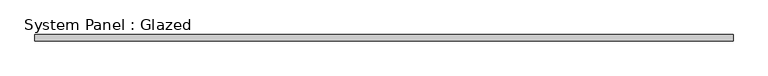
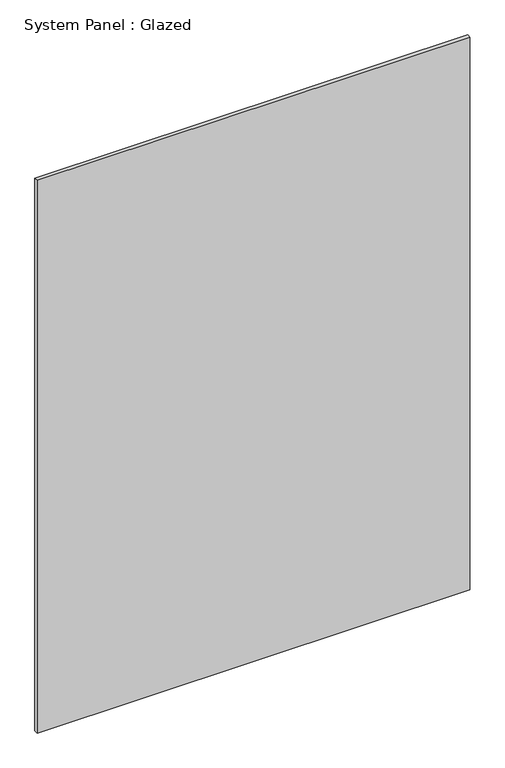
"""IFC4 building model written with IfcOpenShell, lengths in millimetres: plate geometry, System Panel : Glazed."""

from ifc_helpers import new_model, si_unit, origin, origin_with_axes, place, context, project, spatial, polyline, outline, extrude, source, transform, mapped, element, save


def system_panel_glazed_4b7e1939(model_context):
    return source(origin(), model_context, "Body", "SweptSolid", [
        extrude(outline(polyline([(1425.0, -2.5), (-1425.0, -2.5), (-1425.0, 22.5), (1425.0, 22.5), (1425.0, -2.5)])), origin_with_axes(), (0.0, 0.0, 1.0), 3850.0),
    ])


if __name__ == "__main__":
    model = new_model("IFC4")
    model_context = context("Model", 3, world=origin())
    ifc_project = project(units=[si_unit("LENGTHUNIT", "METRE", prefix="MILLI")], contexts=[model_context])
    site = spatial("IfcSite", under=ifc_project)
    building = spatial("IfcBuilding", under=site)
    placement = place(None, origin())
    system_panel_glazed_shape = system_panel_glazed_4b7e1939(model_context)
    element("IfcPlate", 1, ObjectType="System Panel : Glazed", at=placement, inside=building, context=model_context, shape_type="MappedRepresentation", body=[
        mapped(system_panel_glazed_shape, transform((0.0, 0.0, 0.0), x_axis=(1.0, 0.0, 0.0), y_axis=(0.0, 1.0, 0.0), z_axis=(0.0, 0.0, 1.0))),
    ])
    save(model, "model.ifc")
